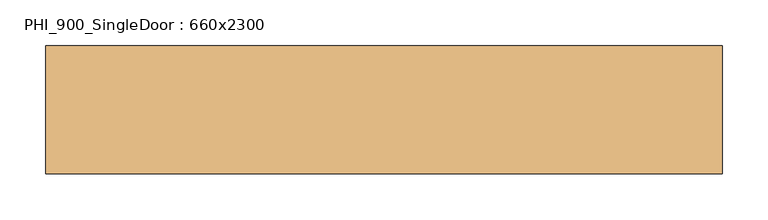
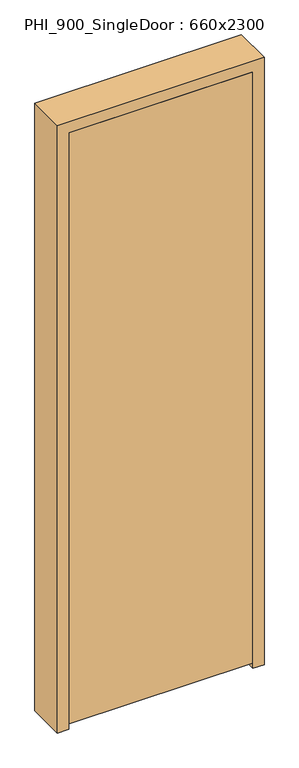
"""IFC4 building model written with IfcOpenShell, lengths in millimetres: door geometry, PHI_900_SingleDoor : 660x2300."""

from ifc_helpers import new_model, si_unit, frame, origin, place, context, project, spatial, polyline, outline, extrude, source, transform, mapped, element, save


def phi_900_singledoor_660x2300_be62bb18(model_context):
    return source(origin(), model_context, "Body", "SweptSolid", [
        extrude(outline(polyline([(328.0, -70.0), (-328.0, -70.0), (-328.0, -20.0), (328.0, -20.0), (328.0, -70.0)])), frame((0.0, 0.0, 20.0), z_axis=(0.0, 0.0, 1.0), x_axis=(1.0, 0.0, 0.0)), (0.0, 0.0, 1.0), 2238.0),
        extrude(outline(polyline([(2300.0, -370.0), (0.0, -370.0), (0.0, -330.0), (2260.0, -330.0), (2260.0, 330.0), (0.0, 330.0), (0.0, 370.0), (2300.0, 370.0), (2300.0, -370.0)])), frame((0.0, -70.0, 0.0), z_axis=(0.0, 1.0, 0.0), x_axis=(0.0, 0.0, 1.0)), (0.0, 0.0, 1.0), 140.0),
        extrude(outline(polyline([(2260.0, -330.0), (0.0, -330.0), (0.0, -310.0), (2240.0, -310.0), (2240.0, 310.0), (0.0, 310.0), (0.0, 330.0), (2260.0, 330.0), (2260.0, -330.0)])), frame((0.0, -20.0, 0.0), z_axis=(0.0, 1.0, 0.0), x_axis=(0.0, 0.0, 1.0)), (0.0, 0.0, 1.0), 20.0),
    ])


if __name__ == "__main__":
    model = new_model("IFC4")
    model_context = context("Model", 3, world=origin())
    ifc_project = project(units=[si_unit("LENGTHUNIT", "METRE", prefix="MILLI")], contexts=[model_context])
    site = spatial("IfcSite", under=ifc_project)
    building = spatial("IfcBuilding", under=site)
    placement = place(None, origin())
    phi_900_singledoor_660x2300_shape = phi_900_singledoor_660x2300_be62bb18(model_context)
    element("IfcDoor", 1, ObjectType="PHI_900_SingleDoor : 660x2300", at=placement, inside=building, context=model_context, shape_type="MappedRepresentation", body=[
        mapped(phi_900_singledoor_660x2300_shape, transform((0.0, 0.0, 0.0), x_axis=(1.0, 0.0, 0.0), y_axis=(0.0, 1.0, 0.0), z_axis=(0.0, 0.0, 1.0))),
    ])
    save(model, "model.ifc")
